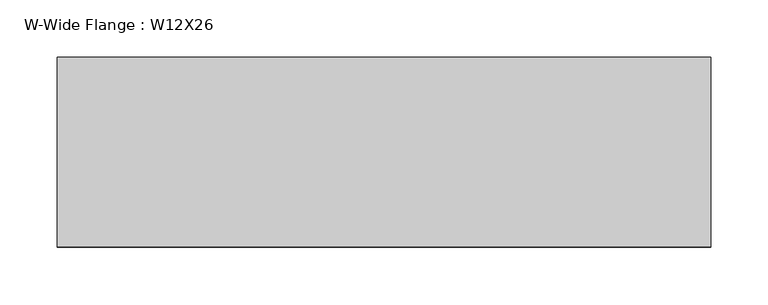
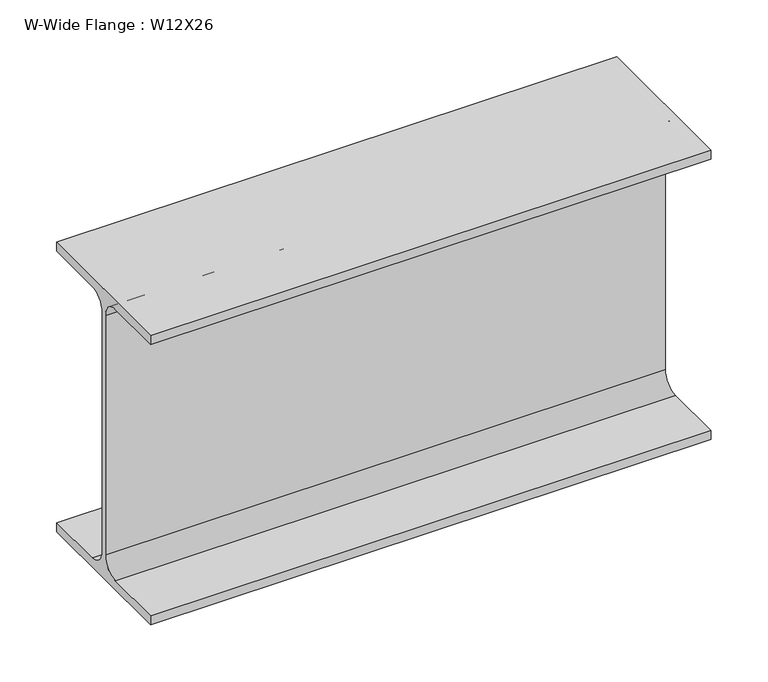
"""IFC4 building model written with IfcOpenShell, lengths in millimetres: beam geometry, W-Wide Flange : W12X26."""

from ifc_helpers import new_model, si_unit, point, frame, frame_2d, origin, place, context, project, spatial, polyline, circle_curve, trimmed, segment, composite_curve, outline, extrude, source, transform, mapped, element, save


def w_wide_flange_w12x26_eb660969(model_context):
    return source(origin(), model_context, "Body", "SweptSolid", [
        extrude(outline(composite_curve([segment(polyline([(82.4011719, -145.5539063), (82.4011719, -155.178125), (-82.4011719, -155.178125), (-82.4011719, -145.5539063), (-20.2902344, -145.5539063)]), True, "CONTINUOUS"), segment(trimmed(circle_curve(frame_2d((-20.2902344, -128.190625)), 17.3632812), [point((-20.2902344, -145.5539063))], [point((-2.9269531, -128.190625))], True, "CARTESIAN"), True, "CONTINUOUS"), segment(polyline([(-2.9269531, -128.190625), (-2.9269531, 128.190625)]), True, "CONTINUOUS"), segment(trimmed(circle_curve(frame_2d((-20.2902344, 128.190625)), 17.3632812), [point((-2.9269531, 128.190625))], [point((-20.2902344, 145.5539062))], True, "CARTESIAN"), True, "CONTINUOUS"), segment(polyline([(-20.2902344, 145.5539062), (-82.4011719, 145.5539062), (-82.4011719, 155.178125), (82.4011719, 155.178125), (82.4011719, 145.5539062), (20.2902344, 145.5539062)]), True, "CONTINUOUS"), segment(trimmed(circle_curve(frame_2d((20.2902344, 128.190625)), 17.3632812), [point((20.2902344, 145.5539062))], [point((2.9269531, 128.190625))], True, "CARTESIAN"), True, "CONTINUOUS"), segment(polyline([(2.9269531, 128.190625), (2.9269531, -128.190625)]), True, "CONTINUOUS"), segment(trimmed(circle_curve(frame_2d((20.2902344, -128.190625)), 17.3632812), [point((2.9269531, -128.190625))], [point((20.2902344, -145.5539063))], True, "CARTESIAN"), True, "CONTINUOUS"), segment(polyline([(20.2902344, -145.5539063), (82.4011719, -145.5539063)]), True, "CONTINUOUS")], self_intersect=False)), frame((-253.9329677, 0.0, 0.0), z_axis=(1.0, 0.0, 0.0), x_axis=(0.0, 1.0, 0.0)), (0.0, 0.0, 1.0), 567.9859581),
    ])


if __name__ == "__main__":
    model = new_model("IFC4")
    model_context = context("Model", 3, world=origin())
    ifc_project = project(units=[si_unit("LENGTHUNIT", "METRE", prefix="MILLI")], contexts=[model_context])
    site = spatial("IfcSite", under=ifc_project)
    building = spatial("IfcBuilding", under=site)
    placement = place(None, origin())
    w_wide_flange_w12x26_shape = w_wide_flange_w12x26_eb660969(model_context)
    element("IfcBeam", 1, ObjectType="W-Wide Flange : W12X26", at=placement, inside=building, context=model_context, shape_type="MappedRepresentation", body=[
        mapped(w_wide_flange_w12x26_shape, transform((0.0, 0.0, 0.0), x_axis=(1.0, 0.0, 0.0), y_axis=(0.0, 1.0, 0.0), z_axis=(0.0, 0.0, 1.0))),
    ])
    save(model, "model.ifc")
